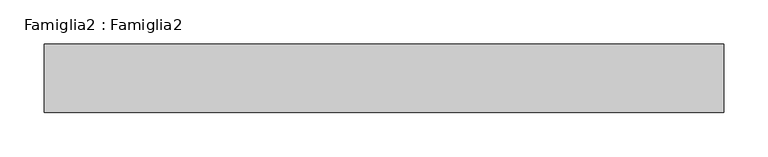
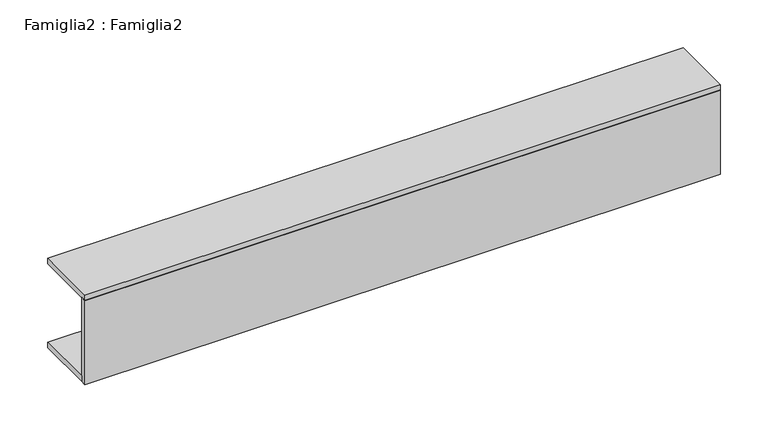
"""IFC4 building model written with IfcOpenShell, lengths in millimetres: proxy geometry, Famiglia2 : Famiglia2."""

from ifc_helpers import new_model, si_unit, frame, origin, origin_with_axes, place, context, project, spatial, polyline, outline, extrude, source, transform, mapped, element, save


def famiglia2_famiglia2_74de5ae1(model_context):
    return source(origin(), model_context, "Body", "SweptSolid", [
        extrude(outline(polyline([(964.0, -240.573053), (964.0, -310.573053), (200.0, -310.573053), (200.0, -240.573053), (964.0, -240.573053)])), origin_with_axes(), (0.0, 0.0, 1.0), 7.0),
        extrude(outline(polyline([(964.0, -310.573053), (964.0, -317.573053), (200.0, -317.573053), (200.0, -310.573053), (964.0, -310.573053)])), origin_with_axes(), (0.0, 0.0, 1.0), 107.0),
        extrude(outline(polyline([(964.0, -240.573053), (964.0, -317.573053), (200.0, -317.573053), (200.0, -240.573053), (964.0, -240.573053)])), frame((0.0, 0.0, 107.0), z_axis=(0.0, 0.0, 1.0), x_axis=(1.0, 0.0, 0.0)), (0.0, 0.0, 1.0), 7.0),
    ])


if __name__ == "__main__":
    model = new_model("IFC4")
    model_context = context("Model", 3, world=origin())
    ifc_project = project(units=[si_unit("LENGTHUNIT", "METRE", prefix="MILLI")], contexts=[model_context])
    site = spatial("IfcSite", under=ifc_project)
    building = spatial("IfcBuilding", under=site)
    placement = place(None, origin())
    famiglia2_famiglia2_shape = famiglia2_famiglia2_74de5ae1(model_context)
    element("IfcBuildingElementProxy", 1, Name="Famiglia2 : Famiglia2", ObjectType="Famiglia2 : Famiglia2", at=placement, inside=building, context=model_context, shape_type="MappedRepresentation", body=[
        mapped(famiglia2_famiglia2_shape, transform((0.0, 0.0, 0.0), x_axis=(1.0, 0.0, 0.0), y_axis=(0.0, 1.0, 0.0), z_axis=(0.0, 0.0, 1.0))),
    ])
    save(model, "model.ifc")
